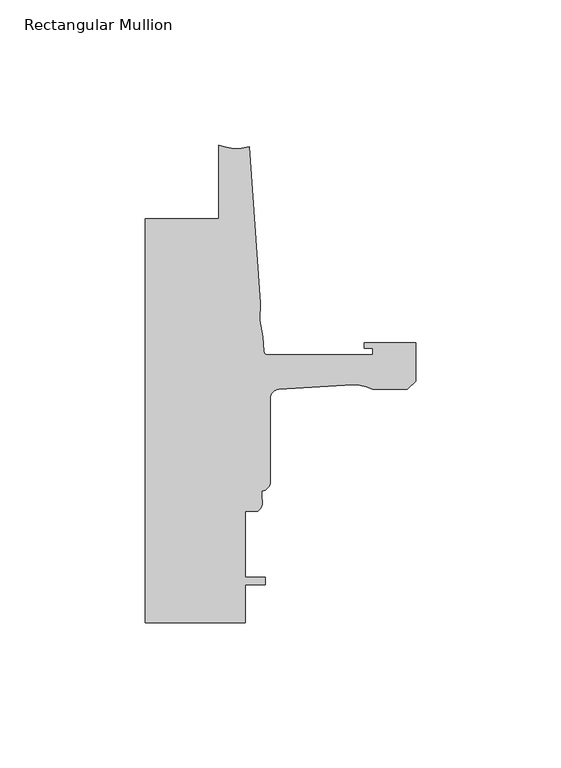
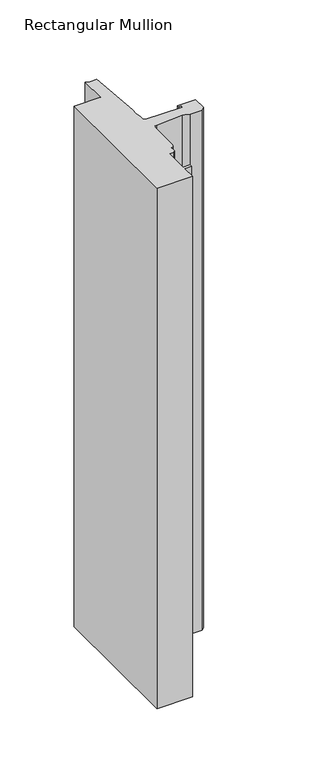
"""IFC4 building model written with IfcOpenShell, lengths in millimetres: member geometry, Rectangular Mullion."""

from ifc_helpers import new_model, si_unit, point, frame, frame_2d, origin, place, context, project, spatial, polyline, circle_curve, trimmed, segment, composite_curve, outline, extrude, source, transform, mapped, element, save


def rectangular_mullion_757f9c09(model_context):
    return source(origin(), model_context, "Body", "SweptSolid", [
        extrude(outline(composite_curve([segment(polyline([(-93.2286109, -25.4004525), (-67.8287241, -25.4004525), (-67.8287241, 0.0)]), True, "CONTINUOUS"), segment(trimmed(circle_curve(frame_2d((-61.5737839, 15.5330799)), 16.7451739), [point((-67.8287241, 0.0))], [point((-57.2987828, -0.6572016))], True, "CARTESIAN"), True, "CONTINUOUS"), segment(polyline([(-57.2987828, -0.6572016), (-53.5273008, -54.5916583)]), True, "CONTINUOUS"), segment(trimmed(circle_curve(frame_2d((-22.6573046, -58.220143)), 31.0825122), [point((-53.5273008, -54.5916583))], [point((-52.7218885, -66.1095894))], True, "CARTESIAN"), True, "CONTINUOUS"), segment(polyline([(-52.7218885, -66.1095894), (-52.3871825, -70.8961089)]), True, "CONTINUOUS"), segment(trimmed(circle_curve(frame_2d((-50.8668948, -70.7898)), 1.524), [point((-52.3871825, -70.8961089))], [point((-50.8668948, -72.3138))], True, "CARTESIAN"), True, "CONTINUOUS"), segment(polyline([(-50.8668948, -72.3138), (-14.783487, -72.3138), (-14.783487, -69.9769999), (-17.6377748, -69.9769999), (-17.6377748, -68.1989999), (0.0, -68.1989999), (0.0, -81.3555127), (-2.845487, -84.2009998), (-14.7368542, -84.2009998)]), True, "CONTINUOUS"), segment(trimmed(circle_curve(frame_2d((-20.8718421, -95.1826865)), 12.5791701), [point((-14.7368542, -84.2009998))], [point((-21.6202542, -82.6257999))], True, "CARTESIAN"), True, "CONTINUOUS"), segment(polyline([(-21.6202542, -82.6257999), (-47.0897067, -84.1438232)]), True, "CONTINUOUS"), segment(trimmed(circle_curve(frame_2d((-46.9265, -87.3146257)), 3.175), [point((-47.0897067, -84.1438232))], [point((-50.1015, -87.3146257))], True, "CARTESIAN"), True, "CONTINUOUS"), segment(polyline([(-50.1015, -87.3146257), (-50.1015, -116.026113)]), True, "CONTINUOUS"), segment(trimmed(circle_curve(frame_2d((-53.2765, -116.026113)), 3.175), [point((-50.1015, -116.026113))], [point((-53.0225002, -119.1909367))], False, "CARTESIAN"), True, "CONTINUOUS"), segment(polyline([(-53.0225002, -119.1909367), (-53.0225002, -121.7775425)]), True, "CONTINUOUS"), segment(trimmed(circle_curve(frame_2d((-56.4301064, -123.096956)), 3.6541253), [point((-53.0225002, -121.7775425))], [point((-54.4195002, -126.1482008))], False, "CARTESIAN"), True, "CONTINUOUS"), segment(polyline([(-54.4195002, -126.1482008), (-58.7375, -126.1482008), (-58.7375, -149.0082008), (-51.8795003, -149.0082008), (-51.8795003, -151.5482008), (-58.7375, -151.5482008), (-58.7375, -164.592), (-93.2286109, -164.592), (-93.2286109, -25.4004525)]), True, "CONTINUOUS")], self_intersect=False)), frame((0.0, 0.0, -534.9916376), z_axis=(0.0, 0.0, 1.0), x_axis=(1.0, 0.0, 0.0)), (0.0, 0.0, 1.0), 534.9916376),
    ])


if __name__ == "__main__":
    model = new_model("IFC4")
    model_context = context("Model", 3, world=origin())
    ifc_project = project(units=[si_unit("LENGTHUNIT", "METRE", prefix="MILLI")], contexts=[model_context])
    site = spatial("IfcSite", under=ifc_project)
    building = spatial("IfcBuilding", under=site)
    placement = place(None, origin())
    rectangular_mullion_shape = rectangular_mullion_757f9c09(model_context)
    element("IfcMember", 1, ObjectType="Rectangular Mullion", at=placement, inside=building, context=model_context, shape_type="MappedRepresentation", body=[
        mapped(rectangular_mullion_shape, transform((0.0, 0.0, 0.0), x_axis=(1.0, 0.0, 0.0), y_axis=(0.0, 1.0, 0.0), z_axis=(0.0, 0.0, 1.0))),
    ])
    save(model, "model.ifc")
